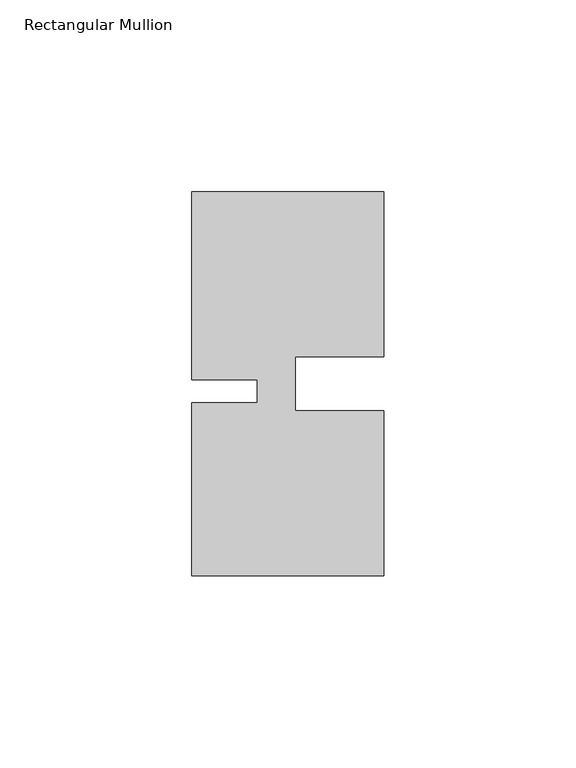
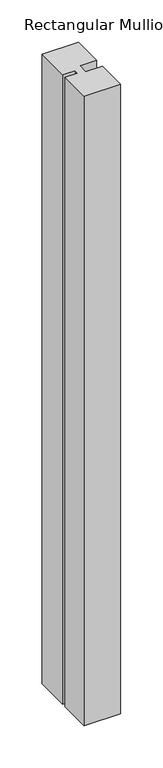
"""IFC4 building model written with IfcOpenShell, lengths in millimetres: member geometry, Rectangular Mullion."""

from ifc_helpers import new_model, si_unit, frame, origin, place, context, project, spatial, polyline, outline, extrude, source, transform, mapped, element, save


def rectangular_mullion_d2581212(model_context):
    return source(origin(), model_context, "Body", "SweptSolid", [
        extrude(outline(polyline([(-23.0000341, -5.000031), (-4.2e-06, -5.0000287), (0.0, -48.0000271), (-50.0, -48.000032), (-50.0000044, -3.000032), (-33.0004661, -3.0000303), (-33.0004667, 2.999987), (-50.000005, 2.9999853), (-50.0000098, 51.999968), (-3.44e-05, 51.999968), (-3.44e-05, 8.9999707), (-23.0000354, 8.9999684), (-23.0000341, -5.000031)])), frame((0.0, 0.0, -910.999327), z_axis=(0.0, 0.0, 1.0), x_axis=(1.0, 0.0, 0.0)), (0.0, 0.0, 1.0), 910.999327),
    ])


if __name__ == "__main__":
    model = new_model("IFC4")
    model_context = context("Model", 3, world=origin())
    ifc_project = project(units=[si_unit("LENGTHUNIT", "METRE", prefix="MILLI")], contexts=[model_context])
    site = spatial("IfcSite", under=ifc_project)
    building = spatial("IfcBuilding", under=site)
    placement = place(None, origin())
    rectangular_mullion_shape = rectangular_mullion_d2581212(model_context)
    element("IfcMember", 1, ObjectType="Rectangular Mullion", at=placement, inside=building, context=model_context, shape_type="MappedRepresentation", body=[
        mapped(rectangular_mullion_shape, transform((0.0, 0.0, 0.0), x_axis=(1.0, 0.0, 0.0), y_axis=(0.0, 1.0, 0.0), z_axis=(0.0, 0.0, 1.0))),
    ])
    save(model, "model.ifc")
